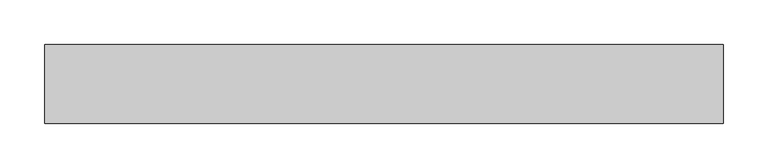
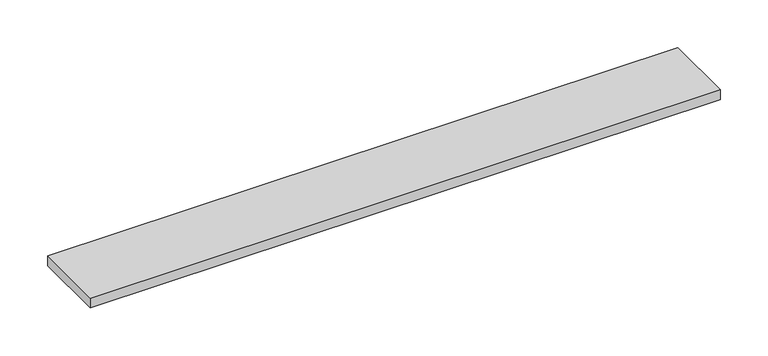
"""IFC4 building model written with IfcOpenShell, lengths in millimetres: furniture geometry."""

import ifcopenshell
import ifcopenshell.guid

model = None  # the IFC model being written
_history = None  # IfcOwnerHistory: only IFC2X3 demands one
_inside = {}  # id of a spatial element -> (the spatial element, [elements in it])
_under = {}  # id of a project, library or spatial element -> (it, [spatial elements below it])
_declared = {}  # id of a project -> (the project, [libraries it declares])
_typed = {}  # id of a type object -> (the type object, [elements of that type])
_made_of = {}  # id of a material, layer set ... -> (it, [elements and type objects made of it])


def new_model(schema):
    """Start an empty IFC model of exactly this schema.

    Asked for "IFC4X3", IfcOpenShell would pick the latest addendum, in which some entities
    have other attributes; the version numbers below select the first issue.
    IFC2X3 requires an IfcOwnerHistory on every rooted entity: one is made here for all.
    """
    global model, _history
    if schema == "IFC4X3":
        model = ifcopenshell.file(schema_version=(4, 3, 0, 0))
    else:
        model = ifcopenshell.file(schema=schema)
    _inside.clear()
    _under.clear()
    _declared.clear()
    _typed.clear()
    _made_of.clear()
    _history = None
    if model.schema == "IFC2X3":
        org = make("IfcOrganization", Name="unknown")
        user = make(
            "IfcPersonAndOrganization",
            ThePerson=make("IfcPerson", FamilyName="unknown"),
            TheOrganization=org,
        )
        app = make(
            "IfcApplication",
            ApplicationDeveloper=org,
            Version="unknown",
            ApplicationFullName="unknown",
            ApplicationIdentifier="unknown",
        )
        _history = make(
            "IfcOwnerHistory",
            OwningUser=user,
            OwningApplication=app,
            ChangeAction="ADDED",
            CreationDate=0,
        )
    return model


def make(cls, **values):
    """One entity of the class cls with the attributes given. An attribute that is None is left unset."""
    return model.create_entity(
        cls, **{name: value for name, value in values.items() if value is not None}
    )


def rooted(cls, **values):
    """An entity with a GlobalId (a new one), such as an element, a storey or a relation."""
    return make(cls, GlobalId=ifcopenshell.guid.new(), OwnerHistory=_history, **values)


def si_unit(unit_type, name, prefix=None):
    """IfcSIUnit, for example si_unit("LENGTHUNIT", "METRE", prefix="MILLI")."""
    return make("IfcSIUnit", UnitType=unit_type, Prefix=prefix, Name=name)


def assignment(units):
    """IfcUnitAssignment: the units of a project."""
    return None if units is None else make("IfcUnitAssignment", Units=units)


def point(xyz):
    """IfcCartesianPoint."""
    return None if xyz is None else make("IfcCartesianPoint", Coordinates=xyz)


def direction(xyz):
    """IfcDirection."""
    return None if xyz is None else make("IfcDirection", DirectionRatios=xyz)


def frame(location, z_axis=None, x_axis=None):
    """IfcAxis2Placement3D, a coordinate frame: its origin and axes. An axis left out is left unset."""
    return make(
        "IfcAxis2Placement3D",
        Location=point(location),
        Axis=direction(z_axis),
        RefDirection=direction(x_axis),
    )


def origin():
    """The frame at (0, 0, 0) with its axes left unset."""
    return frame((0.0, 0.0, 0.0))


def place(relative_to, where):
    """IfcLocalPlacement: puts the frame where relative to a parent placement (None: the world)."""
    return make(
        "IfcLocalPlacement", PlacementRelTo=relative_to, RelativePlacement=where
    )


def context(
    kind, dimensions, precision=None, world=None, true_north=None, identifier=None
):
    """IfcGeometricRepresentationContext, for example the 3D "Model" context."""
    return make(
        "IfcGeometricRepresentationContext",
        ContextIdentifier=identifier,
        ContextType=kind,
        CoordinateSpaceDimension=dimensions,
        Precision=precision,
        WorldCoordinateSystem=world,
        TrueNorth=true_north,
    )


def project(units=None, contexts=None):
    """IfcProject with its units and contexts."""
    return rooted(
        "IfcProject",
        Name="project",
        RepresentationContexts=contexts,
        UnitsInContext=assignment(units),
    )


def spatial(cls, under=None, at=None, **own):
    """A site, building, storey or space (cls), placed at a placement, below another one or the project."""
    s = rooted(cls, ObjectPlacement=at, **own)
    if under is not None:
        _under.setdefault(under.id(), (under, []))[1].append(s)
    return s


def polyline(points):
    """IfcPolyline through the points."""
    return make("IfcPolyline", Points=[point(p) for p in points])


def outline(outer, holes=None, kind="AREA"):
    """IfcArbitraryClosedProfileDef: a profile drawn as a closed curve; with holes, ...WithVoids."""
    if holes is None:
        return make("IfcArbitraryClosedProfileDef", ProfileType=kind, OuterCurve=outer)
    return make(
        "IfcArbitraryProfileDefWithVoids",
        ProfileType=kind,
        OuterCurve=outer,
        InnerCurves=holes,
    )


def extrude(swept, where, along, depth):
    """IfcExtrudedAreaSolid: the profile swept, set in the frame where, extruded along a direction by depth."""
    return make(
        "IfcExtrudedAreaSolid",
        SweptArea=swept,
        Position=where,
        ExtrudedDirection=direction(along),
        Depth=depth,
    )


def shape(context_of_items, identifier, shape_type, items):
    """IfcShapeRepresentation: the items that make up one representation, for example the "Body"."""
    return make(
        "IfcShapeRepresentation",
        ContextOfItems=context_of_items,
        RepresentationIdentifier=identifier,
        RepresentationType=shape_type,
        Items=items,
    )


def source(mapping_origin, context_of_items, identifier, shape_type, items):
    """IfcRepresentationMap: a shape defined once, which mapped items show again and again."""
    return make(
        "IfcRepresentationMap",
        MappingOrigin=mapping_origin,
        MappedRepresentation=shape(context_of_items, identifier, shape_type, items),
    )


def transform(
    local_origin,
    x_axis=None,
    y_axis=None,
    z_axis=None,
    scale=None,
    scale2=None,
    scale3=None,
    uniform=True,
):
    """IfcCartesianTransformationOperator3D, or its non-uniform kind. x_axis, y_axis, z_axis: its Axis1, 2, 3."""
    if uniform:
        return make(
            "IfcCartesianTransformationOperator3D",
            Axis1=direction(x_axis),
            Axis2=direction(y_axis),
            LocalOrigin=point(local_origin),
            Scale=scale,
            Axis3=direction(z_axis),
        )
    return make(
        "IfcCartesianTransformationOperator3DnonUniform",
        Axis1=direction(x_axis),
        Axis2=direction(y_axis),
        LocalOrigin=point(local_origin),
        Scale=scale,
        Axis3=direction(z_axis),
        Scale2=scale2,
        Scale3=scale3,
    )


def mapped(mapping_source, mapping_target):
    """IfcMappedItem: shows the shape of a source again, moved by a transform."""
    return make(
        "IfcMappedItem", MappingSource=mapping_source, MappingTarget=mapping_target
    )


def made_of(thing, what):
    """Note that an element or type object is made of a material, layer set ...; save() writes the relation."""
    if what is not None:
        _made_of.setdefault(what.id(), (what, []))[1].append(thing)
    return thing


def element(
    cls,
    number,
    at=None,
    inside=None,
    cuts=None,
    type_object=None,
    material=None,
    context=None,
    identifier="Body",
    shape_type=None,
    held_by="IfcProductDefinitionShape",
    body=None,
    shapes=None,
    **own,
):
    """One element of the class cls, such as IfcWall. Its Tag is "e" and its number.

    at: its placement. inside: the storey or other place that contains it. cuts: it is an
    opening in that element (IfcRelVoidsElement). A single representation is given by context,
    identifier, shape_type and body (its items); several are given by shapes. held_by: the class
    of the entity that holds the representations. save() writes the other relations.
    """
    e = rooted(cls, Tag="e%d" % number, ObjectPlacement=at, **own)
    if body is not None:
        shapes = [shape(context, identifier, shape_type, body)]
    if shapes is not None:
        e.Representation = make(held_by, Representations=shapes)
    if inside is not None:
        _inside.setdefault(inside.id(), (inside, []))[1].append(e)
    if cuts is not None:
        rooted(
            "IfcRelVoidsElement", RelatingBuildingElement=cuts, RelatedOpeningElement=e
        )
    if type_object is not None:
        _typed.setdefault(type_object.id(), (type_object, []))[1].append(e)
    return made_of(e, material)


def aggregate(whole, parts):
    """IfcRelAggregates: a whole, such as a stair, and the parts it consists of."""
    return rooted("IfcRelAggregates", RelatingObject=whole, RelatedObjects=parts)


def save(model, path):
    """Write the relations noted so far, then the file.

    IfcRelAggregates (storeys below a building ...), IfcRelContainedInSpatialStructure (elements
    in a storey), IfcRelDefinesByType, IfcRelAssociatesMaterial and IfcRelDeclares: one each for
    every whole, place, type object, material and project.
    """
    for whole, parts in _under.values():
        aggregate(whole, parts)
    for where, things in _inside.values():
        rooted(
            "IfcRelContainedInSpatialStructure",
            RelatedElements=things,
            RelatingStructure=where,
        )
    for kind, things in _typed.values():
        rooted("IfcRelDefinesByType", RelatedObjects=things, RelatingType=kind)
    for what, things in _made_of.values():
        rooted("IfcRelAssociatesMaterial", RelatedObjects=things, RelatingMaterial=what)
    for by, libraries in _declared.values():
        rooted("IfcRelDeclares", RelatingContext=by, RelatedDefinitions=libraries)
    model.write(path)


def furniture_26c3d8d6(model_context):
    return source(origin(), model_context, "Body", "SweptSolid", [
        extrude(outline(polyline([(401.21205, 38.735), (401.21205, -50.165), (-360.78795, -50.165), (-360.78795, 38.735), (401.21205, 38.735)])), frame((0.0, 0.0, 965.2), z_axis=(0.0, 0.0, 1.0), x_axis=(1.0, 0.0, 0.0)), (0.0, 0.0, 1.0), 12.7),
    ])


if __name__ == "__main__":
    model = new_model("IFC4")
    model_context = context("Model", 3, world=origin())
    ifc_project = project(units=[si_unit("LENGTHUNIT", "METRE", prefix="MILLI")], contexts=[model_context])
    site = spatial("IfcSite", under=ifc_project)
    building = spatial("IfcBuilding", under=site)
    placement = place(None, origin())
    furniture_shape = furniture_26c3d8d6(model_context)
    element("IfcFurniture", 1, at=placement, inside=building, context=model_context, shape_type="MappedRepresentation", body=[
        mapped(furniture_shape, transform((0.0, 0.0, 0.0), x_axis=(1.0, 0.0, 0.0), y_axis=(0.0, 1.0, 0.0), z_axis=(0.0, 0.0, 1.0))),
    ])
    save(model, "model.ifc")
